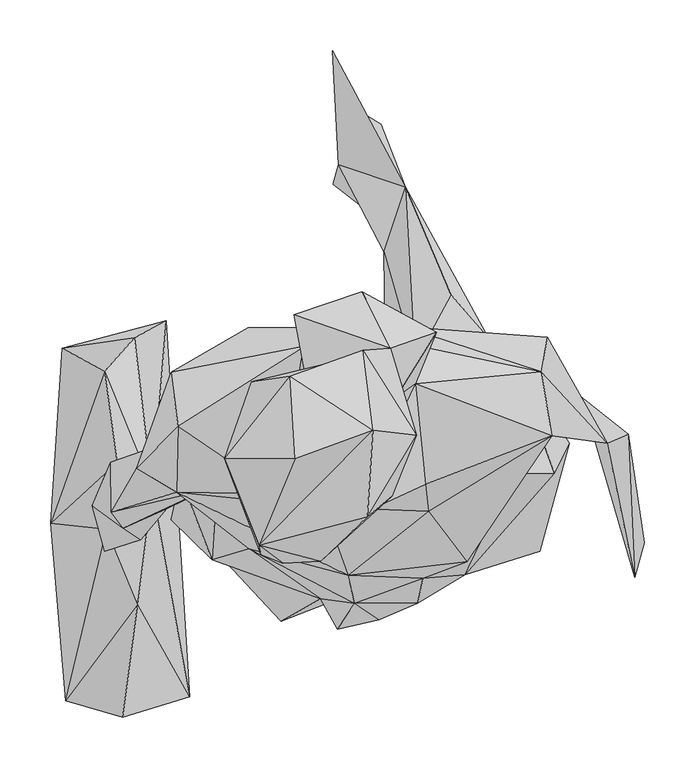
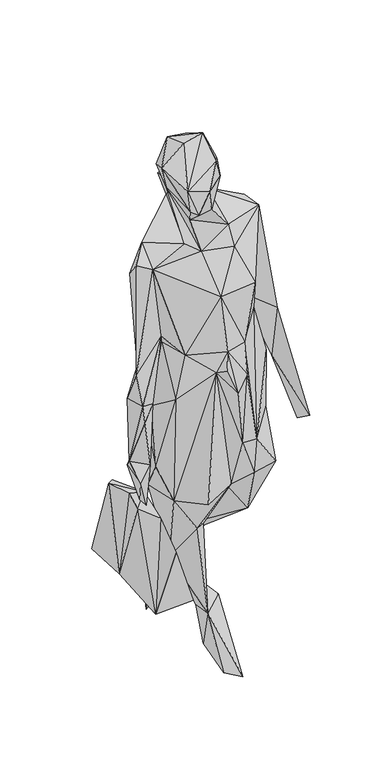
"""IFC4 building model written with IfcOpenShell, lengths in millimetres: geographic element geometry."""

import ifcopenshell
import ifcopenshell.guid

model = None  # the IFC model being written
_history = None  # IfcOwnerHistory: only IFC2X3 demands one
_inside = {}  # id of a spatial element -> (the spatial element, [elements in it])
_under = {}  # id of a project, library or spatial element -> (it, [spatial elements below it])
_declared = {}  # id of a project -> (the project, [libraries it declares])
_typed = {}  # id of a type object -> (the type object, [elements of that type])
_made_of = {}  # id of a material, layer set ... -> (it, [elements and type objects made of it])


def new_model(schema):
    """Start an empty IFC model of exactly this schema.

    Asked for "IFC4X3", IfcOpenShell would pick the latest addendum, in which some entities
    have other attributes; the version numbers below select the first issue.
    IFC2X3 requires an IfcOwnerHistory on every rooted entity: one is made here for all.
    """
    global model, _history
    if schema == "IFC4X3":
        model = ifcopenshell.file(schema_version=(4, 3, 0, 0))
    else:
        model = ifcopenshell.file(schema=schema)
    _inside.clear()
    _under.clear()
    _declared.clear()
    _typed.clear()
    _made_of.clear()
    _history = None
    if model.schema == "IFC2X3":
        org = make("IfcOrganization", Name="unknown")
        user = make(
            "IfcPersonAndOrganization",
            ThePerson=make("IfcPerson", FamilyName="unknown"),
            TheOrganization=org,
        )
        app = make(
            "IfcApplication",
            ApplicationDeveloper=org,
            Version="unknown",
            ApplicationFullName="unknown",
            ApplicationIdentifier="unknown",
        )
        _history = make(
            "IfcOwnerHistory",
            OwningUser=user,
            OwningApplication=app,
            ChangeAction="ADDED",
            CreationDate=0,
        )
    return model


def make(cls, **values):
    """One entity of the class cls with the attributes given. An attribute that is None is left unset."""
    return model.create_entity(
        cls, **{name: value for name, value in values.items() if value is not None}
    )


def rooted(cls, **values):
    """An entity with a GlobalId (a new one), such as an element, a storey or a relation."""
    return make(cls, GlobalId=ifcopenshell.guid.new(), OwnerHistory=_history, **values)


def si_unit(unit_type, name, prefix=None):
    """IfcSIUnit, for example si_unit("LENGTHUNIT", "METRE", prefix="MILLI")."""
    return make("IfcSIUnit", UnitType=unit_type, Prefix=prefix, Name=name)


def assignment(units):
    """IfcUnitAssignment: the units of a project."""
    return None if units is None else make("IfcUnitAssignment", Units=units)


def point(xyz):
    """IfcCartesianPoint."""
    return None if xyz is None else make("IfcCartesianPoint", Coordinates=xyz)


def direction(xyz):
    """IfcDirection."""
    return None if xyz is None else make("IfcDirection", DirectionRatios=xyz)


def frame(location, z_axis=None, x_axis=None):
    """IfcAxis2Placement3D, a coordinate frame: its origin and axes. An axis left out is left unset."""
    return make(
        "IfcAxis2Placement3D",
        Location=point(location),
        Axis=direction(z_axis),
        RefDirection=direction(x_axis),
    )


def origin():
    """The frame at (0, 0, 0) with its axes left unset."""
    return frame((0.0, 0.0, 0.0))


def place(relative_to, where):
    """IfcLocalPlacement: puts the frame where relative to a parent placement (None: the world)."""
    return make(
        "IfcLocalPlacement", PlacementRelTo=relative_to, RelativePlacement=where
    )


def context(
    kind, dimensions, precision=None, world=None, true_north=None, identifier=None
):
    """IfcGeometricRepresentationContext, for example the 3D "Model" context."""
    return make(
        "IfcGeometricRepresentationContext",
        ContextIdentifier=identifier,
        ContextType=kind,
        CoordinateSpaceDimension=dimensions,
        Precision=precision,
        WorldCoordinateSystem=world,
        TrueNorth=true_north,
    )


def project(units=None, contexts=None):
    """IfcProject with its units and contexts."""
    return rooted(
        "IfcProject",
        Name="project",
        RepresentationContexts=contexts,
        UnitsInContext=assignment(units),
    )


def spatial(cls, under=None, at=None, **own):
    """A site, building, storey or space (cls), placed at a placement, below another one or the project."""
    s = rooted(cls, ObjectPlacement=at, **own)
    if under is not None:
        _under.setdefault(under.id(), (under, []))[1].append(s)
    return s


def faces_of(points, faces, orient=None, outer=None):
    """IfcFace entities. A face is a list of loops; a loop is a list of indices into points, from 0.

    orient and outer hold one flag for each loop. By default every Orientation is true, the
    first loop of a face is its IfcFaceOuterBound and the others are IfcFaceBound.
    """
    made = []
    for i, loops in enumerate(faces):
        bounds = []
        for j, loop in enumerate(loops):
            is_outer = j == 0 if outer is None else outer[i][j]
            bounds.append(
                make(
                    "IfcFaceOuterBound" if is_outer else "IfcFaceBound",
                    Bound=make("IfcPolyLoop", Polygon=[points[k] for k in loop]),
                    Orientation=True if orient is None else orient[i][j],
                )
            )
        made.append(make("IfcFace", Bounds=bounds))
    return made


def faceted_brep(points, faces, orient=None, outer=None, voids=None):
    """IfcFacetedBrep: a solid bounded by flat faces; with voids (closed shells), ...WithVoids."""
    shared = [point(p) for p in points]
    hull = make("IfcClosedShell", CfsFaces=faces_of(shared, faces, orient, outer))
    if voids is None:
        return make("IfcFacetedBrep", Outer=hull)
    return make(
        "IfcFacetedBrepWithVoids",
        Outer=hull,
        Voids=[
            make(cls, CfsFaces=faces_of(shared, fs, o, b)) for cls, fs, o, b in voids
        ],
    )


def shape(context_of_items, identifier, shape_type, items):
    """IfcShapeRepresentation: the items that make up one representation, for example the "Body"."""
    return make(
        "IfcShapeRepresentation",
        ContextOfItems=context_of_items,
        RepresentationIdentifier=identifier,
        RepresentationType=shape_type,
        Items=items,
    )


def source(mapping_origin, context_of_items, identifier, shape_type, items):
    """IfcRepresentationMap: a shape defined once, which mapped items show again and again."""
    return make(
        "IfcRepresentationMap",
        MappingOrigin=mapping_origin,
        MappedRepresentation=shape(context_of_items, identifier, shape_type, items),
    )


def transform(
    local_origin,
    x_axis=None,
    y_axis=None,
    z_axis=None,
    scale=None,
    scale2=None,
    scale3=None,
    uniform=True,
):
    """IfcCartesianTransformationOperator3D, or its non-uniform kind. x_axis, y_axis, z_axis: its Axis1, 2, 3."""
    if uniform:
        return make(
            "IfcCartesianTransformationOperator3D",
            Axis1=direction(x_axis),
            Axis2=direction(y_axis),
            LocalOrigin=point(local_origin),
            Scale=scale,
            Axis3=direction(z_axis),
        )
    return make(
        "IfcCartesianTransformationOperator3DnonUniform",
        Axis1=direction(x_axis),
        Axis2=direction(y_axis),
        LocalOrigin=point(local_origin),
        Scale=scale,
        Axis3=direction(z_axis),
        Scale2=scale2,
        Scale3=scale3,
    )


def mapped(mapping_source, mapping_target):
    """IfcMappedItem: shows the shape of a source again, moved by a transform."""
    return make(
        "IfcMappedItem", MappingSource=mapping_source, MappingTarget=mapping_target
    )


def made_of(thing, what):
    """Note that an element or type object is made of a material, layer set ...; save() writes the relation."""
    if what is not None:
        _made_of.setdefault(what.id(), (what, []))[1].append(thing)
    return thing


def element(
    cls,
    number,
    at=None,
    inside=None,
    cuts=None,
    type_object=None,
    material=None,
    context=None,
    identifier="Body",
    shape_type=None,
    held_by="IfcProductDefinitionShape",
    body=None,
    shapes=None,
    **own,
):
    """One element of the class cls, such as IfcWall. Its Tag is "e" and its number.

    at: its placement. inside: the storey or other place that contains it. cuts: it is an
    opening in that element (IfcRelVoidsElement). A single representation is given by context,
    identifier, shape_type and body (its items); several are given by shapes. held_by: the class
    of the entity that holds the representations. save() writes the other relations.
    """
    e = rooted(cls, Tag="e%d" % number, ObjectPlacement=at, **own)
    if body is not None:
        shapes = [shape(context, identifier, shape_type, body)]
    if shapes is not None:
        e.Representation = make(held_by, Representations=shapes)
    if inside is not None:
        _inside.setdefault(inside.id(), (inside, []))[1].append(e)
    if cuts is not None:
        rooted(
            "IfcRelVoidsElement", RelatingBuildingElement=cuts, RelatedOpeningElement=e
        )
    if type_object is not None:
        _typed.setdefault(type_object.id(), (type_object, []))[1].append(e)
    return made_of(e, material)


def aggregate(whole, parts):
    """IfcRelAggregates: a whole, such as a stair, and the parts it consists of."""
    return rooted("IfcRelAggregates", RelatingObject=whole, RelatedObjects=parts)


def save(model, path):
    """Write the relations noted so far, then the file.

    IfcRelAggregates (storeys below a building ...), IfcRelContainedInSpatialStructure (elements
    in a storey), IfcRelDefinesByType, IfcRelAssociatesMaterial and IfcRelDeclares: one each for
    every whole, place, type object, material and project.
    """
    for whole, parts in _under.values():
        aggregate(whole, parts)
    for where, things in _inside.values():
        rooted(
            "IfcRelContainedInSpatialStructure",
            RelatedElements=things,
            RelatingStructure=where,
        )
    for kind, things in _typed.values():
        rooted("IfcRelDefinesByType", RelatedObjects=things, RelatingType=kind)
    for what, things in _made_of.values():
        rooted("IfcRelAssociatesMaterial", RelatedObjects=things, RelatingMaterial=what)
    for by, libraries in _declared.values():
        rooted("IfcRelDeclares", RelatingContext=by, RelatedDefinitions=libraries)
    model.write(path)


def geographic_element_88c11ab5(model_context):
    return source(origin(), model_context, "Body", "Brep", [
        faceted_brep([(-226.3474436, -34.0600568, 640.6660001), (-251.3590126, 27.2773631, 748.0611709), (-216.8999138, -38.771275, 776.188364), (-230.5993409, -5.2996598, 642.1981375), (-252.7675597, -49.8952897, 731.9558172), (-191.1129928, -8.1966304, 954.7262074), (-264.7872534, -5.0744018, 785.6326602), (-234.5920474, -27.5904142, 972.6753115), (-246.8359142, 37.8272193, 965.4542684), (-153.7263374, 9.9154197, 1158.4526157), (-205.6621586, 52.3183935, 1051.5473951), (-246.1480468, -11.5605442, 1070.7651244), (-187.039373, 126.7307832, 1312.5836687), (-220.9844711, 32.0398506, 1407.6649969), (-140.2718705, 30.2945223, 1123.4642128), (-181.2892534, 8.1306322, 1394.2323751), (-109.6873493, -47.8459591, 1115.0698524), (-179.799778, 73.1534725, 1447.7997839), (42.8458708, 171.8152144, 1419.205648), (-110.942802, 170.6800887, 1305.2750665), (-56.1833263, 151.1900406, 1519.1676429), (-81.5437426, 6.7614437, 1448.2055723), (-12.2034017, -73.7367934, 1292.9022152), (-36.2602542, -6.9511052, 1415.5957524), (-53.6702529, 120.2074498, 1570.3675553), (-103.0678364, 71.0734269, 1606.8082849), (67.4921713, -10.7743059, 1397.8062695), (-68.745426, -0.4584669, 1529.4791271), (64.3940187, 16.2428932, 1457.8149139), (105.4923372, -60.7755288, 1294.0209944), (189.4726134, 64.0897594, 1449.7169077), (54.8797653, 115.1835085, 1523.2926419), (-8.0247837, -17.3861885, 1552.9202031), (-97.7551627, -53.6048964, 1598.9966195), (-76.0189136, -62.1556893, 1581.6238923), (35.6970537, 101.3736042, 1572.4661156), (-39.3748092, -60.0144558, 1649.3739878), (31.6256095, 4.1061784, 1640.0928295), (-99.9817165, -44.2896852, 1661.2341199), (-134.0886934, 41.0881931, 1700.4065303), (7.4386177, -15.9514284, 1711.411455), (12.8956454, 69.203361, 1751.7869256), (-64.2452977, 41.2981505, 1760.8330032), (55.8672801, 64.3084488, 1655.8338199), (2.9089567, 148.1552851, 1705.0806073), (-69.298788, 122.6078704, 1734.6994662), (-107.3590876, 117.1694458, 1659.9710975), (29.9589742, 150.2451729, 1617.8184548), (75.5738234, 166.0803983, 1544.5456314), (-65.2142159, 183.3416797, 1574.7341915), (1.6250788, 206.1791544, 1552.7672576), (35.5767603, 157.2660486, 1504.3834262), (179.4706114, 127.1922573, 1451.2390911), (244.2692488, 56.7244806, 1089.2435178), (185.1430661, 161.2587849, 1355.6459975), (66.7988352, 156.2348436, 1179.7515008), (156.322522, 151.5947115, 1269.3899713), (145.4937738, 84.2370753, 1157.6455688), (230.5774809, 64.308568, 926.4414792), (265.1634482, 65.7247595, 999.2069479), (48.3838277, 118.1329996, 1095.3752859), (-80.0367733, 99.8470324, 1096.3562591), (-126.4105722, 119.1938281, 740.5373363), (-4.6729221, 155.3753297, 926.9598608), (152.2620152, 137.1571554, 888.0815396), (68.0608368, 154.1395913, 768.921485), (207.0039932, 56.6676587, 767.4287463), (174.4466402, 95.4136762, 622.600965), (151.8759709, 27.0574872, 1139.6931269), (192.3410869, 26.9984655, 982.0889709), (23.4728751, 130.0062074, 590.0841282), (-149.8375218, 92.388815, 607.1408316), (-44.4939168, 90.8107523, 584.5570492), (54.1284711, 137.6034153, 490.2894138), (18.3417385, 48.8309929, 640.4538671), (-100.0232759, 59.495765, 366.2868693), (-187.1104366, -18.8405362, 747.2278383), (-146.0700911, -46.5805897, 634.4543617), (-177.63227, 22.2238393, 925.8333926), (-146.4014482, -58.5893944, 982.8960178), (-39.0128265, -97.0357495, 1060.3257287), (-5.4187523, -101.5380832, 1122.8835444), (62.2593306, -76.9344335, 1117.2668796), (18.7693329, -117.9824084, 984.3931673), (56.8383925, -101.6146156, 1024.1222255), (-22.4613023, -127.2571816, 1077.6941643), (103.5446437, -73.1002456, 773.2871079), (38.3304278, -109.0050848, 804.2817016), (17.3684394, -82.2689076, 657.2131433), (97.9848194, -68.0281437, 658.3461084), (177.8509893, -49.9094942, 658.8863649), (113.7073995, -5.9612509, 495.8207248), (25.0870173, 132.8375621, 395.9560941), (-14.3555923, 18.917985, 472.842151), (23.6598809, 245.8844453, 277.4478163), (126.148118, 162.6740525, 409.4695994), (44.6612345, 309.9088332, 268.4344318), (60.6025375, 245.0872182, 218.8618454), (-21.5536204, 332.0803601, 173.8845834), (-26.6661659, 312.7544186, 8.1396661), (-27.4885461, 444.5530717, 169.330878), (-4.45311, 387.4051821, 161.9042883), (20.7531114, 372.2622349, 67.6639295), (89.7424061, 203.4694378, 443.0068081), (271.5467479, -76.0441935, 794.8440215), (265.4040125, -16.358081, 752.594104), (280.9221114, -41.7086551, 773.1788063), (-20.3572304, 80.3735544, 270.2585127), (-18.5790469, -13.4227907, 190.6547672), (-62.9089243, -33.316392, 505.213612), (38.0767132, 25.4948937, 212.6644227), (-6.3964244, 73.8568595, 163.1465534), (-78.0858015, -119.2957595, 641.6273038), (31.4047035, 77.6417916, 28.8238354), (1.0093861, 44.1734823, 47.5723887), (40.8303807, -103.6157297, 10.1900751), (50.5239846, 10.7357892, 73.5211438), (-5.249245, -77.7074238, 23.445524)], [[[0, 1, 2]], [[1, 0, 3]], [[3, 4, 1]], [[2, 1, 5]], [[1, 6, 5]], [[4, 6, 1]], [[0, 2, 4]], [[4, 3, 0]], [[5, 7, 2]], [[6, 2, 7]], [[2, 6, 4]], [[5, 6, 8]], [[9, 7, 5]], [[10, 5, 8]], [[10, 9, 5]], [[7, 8, 6]], [[7, 9, 11]], [[11, 8, 7]], [[11, 10, 8]], [[12, 10, 13]], [[12, 14, 10]], [[13, 10, 11]], [[10, 14, 9]], [[15, 9, 16]], [[15, 11, 9]], [[9, 14, 16]], [[15, 13, 11]], [[13, 17, 12]], [[15, 17, 13]], [[18, 12, 17]], [[19, 12, 18]], [[12, 19, 14]], [[18, 17, 20]], [[20, 17, 21]], [[21, 17, 15]], [[22, 15, 16]], [[22, 23, 15]], [[21, 15, 23]], [[24, 21, 25]], [[21, 24, 20]], [[25, 21, 23]], [[22, 26, 23]], [[27, 23, 28]], [[25, 23, 27]], [[26, 28, 23]], [[29, 26, 22]], [[26, 30, 28]], [[26, 29, 30]], [[28, 31, 32]], [[32, 27, 28]], [[28, 30, 31]], [[27, 33, 25]], [[27, 32, 34]], [[34, 33, 27]], [[32, 31, 35]], [[36, 34, 32]], [[32, 35, 37]], [[37, 36, 32]], [[38, 33, 34]], [[36, 38, 34]], [[39, 25, 33]], [[38, 39, 33]], [[40, 41, 38]], [[36, 40, 38]], [[42, 39, 38]], [[41, 42, 38]], [[37, 40, 36]], [[40, 37, 43]], [[43, 37, 35]], [[40, 43, 41]], [[44, 41, 43]], [[45, 41, 44]], [[42, 41, 45]], [[42, 45, 39]], [[46, 39, 45]], [[39, 46, 25]], [[25, 46, 24]], [[45, 47, 46]], [[46, 47, 24]], [[44, 47, 45]], [[43, 47, 44]], [[43, 35, 47]], [[35, 48, 47]], [[47, 49, 24]], [[47, 48, 50]], [[50, 49, 47]], [[24, 49, 20]], [[49, 50, 20]], [[20, 50, 51]], [[48, 51, 50]], [[48, 35, 31]], [[31, 51, 48]], [[51, 18, 20]], [[18, 51, 52]], [[51, 31, 52]], [[52, 31, 30]], [[53, 54, 52]], [[18, 52, 54]], [[53, 52, 30]], [[18, 55, 19]], [[18, 56, 55]], [[54, 56, 18]], [[53, 56, 54]], [[57, 56, 58]], [[55, 56, 57]], [[59, 56, 53]], [[58, 56, 59]], [[60, 55, 57]], [[19, 55, 61]], [[55, 60, 61]], [[19, 61, 14]], [[62, 14, 61]], [[63, 62, 61]], [[61, 60, 63]], [[57, 63, 60]], [[63, 64, 65]], [[63, 65, 62]], [[57, 64, 63]], [[66, 67, 64]], [[68, 69, 64]], [[64, 57, 68]], [[65, 64, 67]], [[64, 69, 66]], [[65, 70, 62]], [[65, 67, 70]], [[62, 70, 71]], [[72, 71, 70]], [[73, 74, 70]], [[67, 73, 70]], [[74, 72, 70]], [[71, 72, 75]], [[62, 71, 76]], [[77, 71, 75]], [[77, 76, 71]], [[76, 78, 62]], [[79, 76, 77]], [[78, 76, 79]], [[62, 78, 14]], [[78, 79, 14]], [[80, 79, 77]], [[79, 80, 16]], [[14, 79, 16]], [[16, 81, 22]], [[81, 16, 80]], [[22, 81, 82]], [[81, 83, 84]], [[81, 85, 83]], [[82, 81, 84]], [[80, 85, 81]], [[22, 82, 29]], [[86, 68, 82]], [[68, 29, 82]], [[84, 86, 82]], [[84, 87, 86]], [[83, 87, 84]], [[85, 80, 83]], [[83, 80, 87]], [[88, 89, 87]], [[80, 88, 87]], [[89, 86, 87]], [[89, 88, 74]], [[86, 89, 90]], [[91, 89, 74]], [[89, 91, 90]], [[74, 92, 91]], [[92, 74, 73]], [[88, 93, 74]], [[93, 72, 74]], [[91, 94, 95]], [[90, 91, 95]], [[91, 92, 94]], [[73, 94, 92]], [[94, 73, 96]], [[97, 94, 98]], [[97, 95, 94]], [[98, 94, 96]], [[97, 98, 99]], [[98, 96, 100]], [[101, 98, 100]], [[99, 98, 101]], [[95, 97, 96]], [[96, 97, 102]], [[97, 99, 102]], [[99, 101, 102]], [[101, 96, 102]], [[100, 96, 101]], [[103, 95, 96]], [[96, 73, 103]], [[73, 95, 103]], [[95, 73, 67]], [[90, 67, 66]], [[95, 67, 90]], [[86, 90, 66]], [[66, 69, 86]], [[69, 68, 86]], [[29, 68, 30]], [[30, 68, 57]], [[30, 57, 53]], [[57, 58, 53]], [[53, 58, 104]], [[59, 53, 104]], [[58, 59, 105]], [[104, 58, 105]], [[59, 104, 106]], [[105, 106, 104]], [[105, 59, 106]], [[72, 93, 107]], [[107, 93, 108]], [[88, 109, 93]], [[93, 109, 108]], [[72, 107, 75]], [[108, 110, 107]], [[75, 107, 111]], [[111, 107, 110]], [[109, 77, 75]], [[109, 75, 108]], [[111, 108, 75]], [[88, 77, 109]], [[88, 112, 77]], [[80, 112, 88]], [[80, 77, 112]], [[113, 114, 111]], [[108, 111, 114]], [[111, 110, 113]], [[115, 114, 116]], [[114, 117, 108]], [[117, 114, 115]], [[113, 116, 114]], [[113, 110, 116]], [[110, 115, 116]], [[115, 110, 108]], [[115, 108, 117]]]),
        faceted_brep([(-168.7435487, -193.6808205, 395.7755517), (-205.6982492, 12.8058622, 651.0649839), (-220.0505408, -102.5550427, 635.3565972), (-191.8456978, 177.6201703, 406.1439881), (-223.2143106, 160.8378718, 607.654862), (-250.5355446, -28.1819828, 633.3531659), (-240.3760672, 37.6741621, 642.0363108), (-252.8692751, 127.9743, 625.742845), (-294.7702669, 150.351448, 404.8283944), (-306.1644099, -22.2699993, 429.2701728), (-290.9787857, -197.6232057, 394.5058833), (-234.7692073, -214.1922686, 591.7079972)], [[[0, 1, 2]], [[1, 0, 3]], [[3, 4, 1]], [[2, 1, 5]], [[6, 1, 7]], [[1, 4, 7]], [[5, 1, 6]], [[8, 3, 0]], [[4, 3, 8]], [[7, 4, 8]], [[9, 7, 8]], [[9, 6, 7]], [[6, 9, 5]], [[2, 5, 10]], [[10, 5, 9]], [[0, 9, 8]], [[10, 9, 0]], [[11, 2, 10]], [[11, 10, 0]], [[2, 11, 0]]]),
    ])


if __name__ == "__main__":
    model = new_model("IFC4")
    model_context = context("Model", 3, world=origin())
    ifc_project = project(units=[si_unit("LENGTHUNIT", "METRE", prefix="MILLI")], contexts=[model_context])
    site = spatial("IfcSite", under=ifc_project)
    building = spatial("IfcBuilding", under=site)
    placement = place(None, origin())
    geographic_element_shape = geographic_element_88c11ab5(model_context)
    element("IfcGeographicElement", 1, at=placement, inside=building, context=model_context, shape_type="MappedRepresentation", body=[
        mapped(geographic_element_shape, transform((0.0, 0.0, 0.0), x_axis=(1.0, 0.0, 0.0), y_axis=(0.0, 1.0, 0.0), z_axis=(0.0, 0.0, 1.0))),
    ])
    save(model, "model.ifc")
